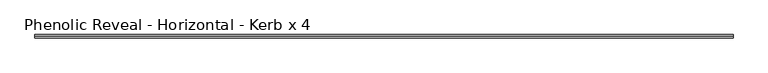
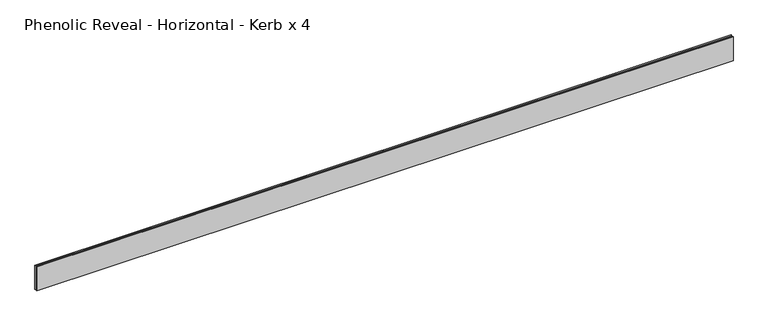
"""IFC4 building model written with IfcOpenShell, lengths in millimetres: proxy geometry, Phenolic Reveal - Horizontal - Kerb x 4."""

from ifc_helpers import new_model, si_unit, origin, place, context, project, spatial, faceted_brep, source, transform, mapped, element, save


def phenolic_reveal_horizontal_kerb_x_4_ee053e59(model_context):
    return source(origin(), model_context, "Body", "Brep", [
        faceted_brep([(2090.1421875, 9.525, 76.2), (2090.1421875, 6.0765851, 76.2), (2090.1421875, 6.0765851, 0.0), (2090.1421875, 9.525, 0.0), (2090.1421875, 3.3757545, 0.0), (2090.1421875, 3.3757545, 76.2), (2090.1421875, 0.0, 76.2), (2090.1421875, 0.0, 0.0), (0.0, 9.525, 76.2), (0.0, 9.525, 0.0), (0.0, 6.0765851, 0.0), (0.0, 6.0765851, 76.2), (0.0, 3.3757545, 76.2), (0.0, 3.3757545, 0.0), (0.0, 0.0, 0.0), (0.0, 0.0, 76.2), (2079.0296875, 6.0765851, 65.3591015), (2079.0296875, 6.0765851, 10.8408985), (11.1125, 6.0765851, 10.8408985), (11.1125, 6.0765851, 65.3591015), (11.1125, 3.3757545, 65.3591015), (2079.0296875, 3.3757545, 65.3591015), (11.1125, 3.3757545, 10.8408985), (2079.0296875, 3.3757545, 10.8408985)], [[[0, 1, 2, 3]], [[4, 5, 6, 7]], [[8, 9, 10, 11]], [[12, 13, 14, 15]], [[11, 1, 0, 8]], [[2, 1, 11, 10], [16, 17, 18, 19]], [[16, 19, 20, 21]], [[5, 4, 13, 12], [20, 22, 23, 21]], [[6, 5, 12, 15]], [[7, 6, 15, 14]], [[13, 4, 7, 14]], [[23, 22, 18, 17]], [[3, 2, 10, 9]], [[0, 3, 9, 8]], [[21, 23, 17, 16]], [[22, 20, 19, 18]]]),
    ])


if __name__ == "__main__":
    model = new_model("IFC4")
    model_context = context("Model", 3, world=origin())
    ifc_project = project(units=[si_unit("LENGTHUNIT", "METRE", prefix="MILLI")], contexts=[model_context])
    site = spatial("IfcSite", under=ifc_project)
    building = spatial("IfcBuilding", under=site)
    placement = place(None, origin())
    phenolic_reveal_horizontal_kerb_x_4_shape = phenolic_reveal_horizontal_kerb_x_4_ee053e59(model_context)
    element("IfcBuildingElementProxy", 1, Name="Phenolic Reveal - Horizontal - Kerb x 4", ObjectType="Phenolic Reveal - Horizontal - Kerb x 4", at=placement, inside=building, context=model_context, shape_type="MappedRepresentation", body=[
        mapped(phenolic_reveal_horizontal_kerb_x_4_shape, transform((0.0, 0.0, 0.0), x_axis=(1.0, 0.0, 0.0), y_axis=(0.0, 1.0, 0.0), z_axis=(0.0, 0.0, 1.0))),
    ])
    save(model, "model.ifc")
